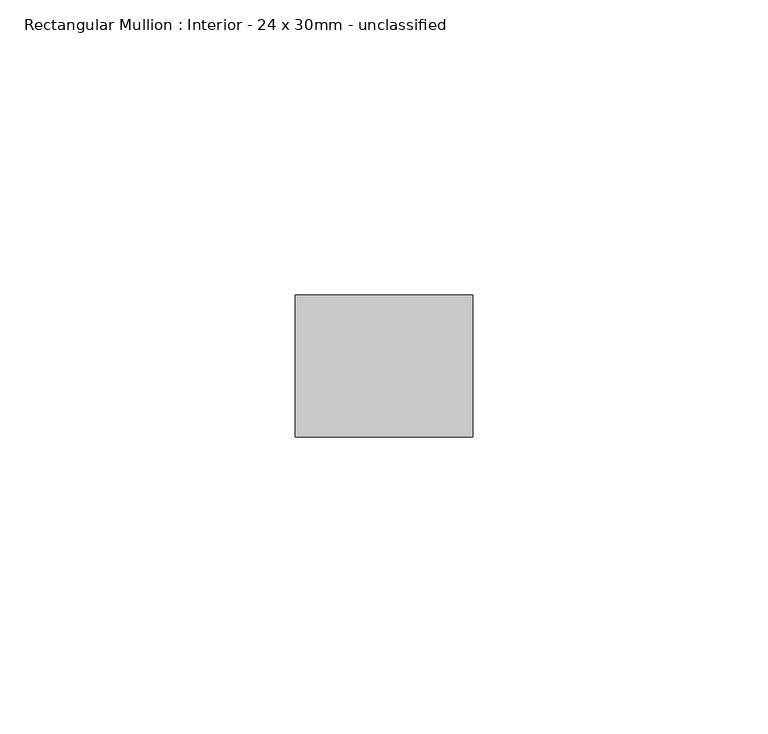
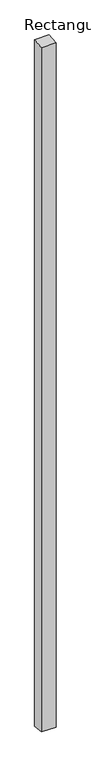
"""IFC4 building model written with IfcOpenShell, lengths in millimetres: member geometry, Rectangular Mullion : Interior - 24 x 30mm - unclassified."""

from ifc_helpers import new_model, si_unit, frame, origin, place, context, project, spatial, polyline, outline, extrude, source, transform, mapped, element, save


def rectangular_mullion_interior_24_x_30mm_unclassified_24b44911(model_context):
    return source(origin(), model_context, "Body", "SweptSolid", [
        extrude(outline(polyline([(-12.0, -1.2931582), (12.0, 1.2931582), (12.0, -1501.2931582), (-12.0, -1498.7068418), (-12.0, -1.2931582)])), frame((-30.0, 0.0, 0.0), z_axis=(1.0, 0.0, 0.0), x_axis=(0.0, 1.0, 0.0)), (0.0, 0.0, 1.0), 30.0),
    ])


if __name__ == "__main__":
    model = new_model("IFC4")
    model_context = context("Model", 3, world=origin())
    ifc_project = project(units=[si_unit("LENGTHUNIT", "METRE", prefix="MILLI")], contexts=[model_context])
    site = spatial("IfcSite", under=ifc_project)
    building = spatial("IfcBuilding", under=site)
    placement = place(None, origin())
    rectangular_mullion_interior_24_x_30mm_unclassified_shape = rectangular_mullion_interior_24_x_30mm_unclassified_24b44911(model_context)
    element("IfcMember", 1, ObjectType="Rectangular Mullion : Interior - 24 x 30mm - unclassified", at=placement, inside=building, context=model_context, shape_type="MappedRepresentation", body=[
        mapped(rectangular_mullion_interior_24_x_30mm_unclassified_shape, transform((0.0, 0.0, 0.0), x_axis=(1.0, 0.0, 0.0), y_axis=(0.0, 1.0, 0.0), z_axis=(0.0, 0.0, 1.0))),
    ])
    save(model, "model.ifc")
